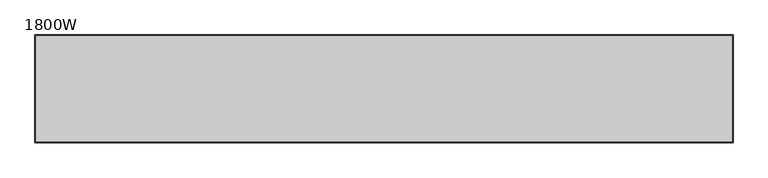
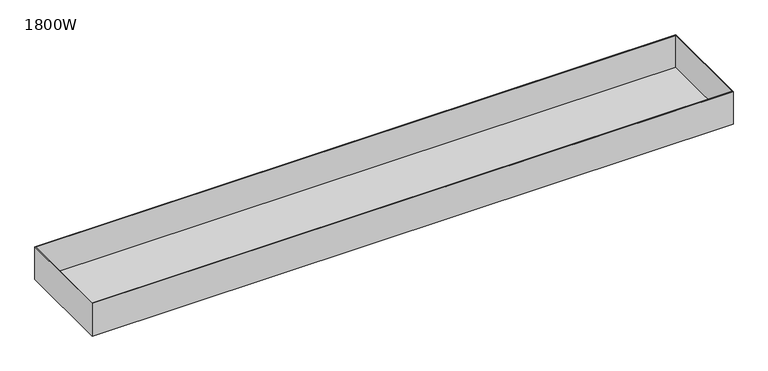
"""IFC4 building model written with IfcOpenShell, lengths in millimetres: furniture geometry, 1800W."""

import ifcopenshell
import ifcopenshell.guid

model = None  # the IFC model being written
_history = None  # IfcOwnerHistory: only IFC2X3 demands one
_inside = {}  # id of a spatial element -> (the spatial element, [elements in it])
_under = {}  # id of a project, library or spatial element -> (it, [spatial elements below it])
_declared = {}  # id of a project -> (the project, [libraries it declares])
_typed = {}  # id of a type object -> (the type object, [elements of that type])
_made_of = {}  # id of a material, layer set ... -> (it, [elements and type objects made of it])


def new_model(schema):
    """Start an empty IFC model of exactly this schema.

    Asked for "IFC4X3", IfcOpenShell would pick the latest addendum, in which some entities
    have other attributes; the version numbers below select the first issue.
    IFC2X3 requires an IfcOwnerHistory on every rooted entity: one is made here for all.
    """
    global model, _history
    if schema == "IFC4X3":
        model = ifcopenshell.file(schema_version=(4, 3, 0, 0))
    else:
        model = ifcopenshell.file(schema=schema)
    _inside.clear()
    _under.clear()
    _declared.clear()
    _typed.clear()
    _made_of.clear()
    _history = None
    if model.schema == "IFC2X3":
        org = make("IfcOrganization", Name="unknown")
        user = make(
            "IfcPersonAndOrganization",
            ThePerson=make("IfcPerson", FamilyName="unknown"),
            TheOrganization=org,
        )
        app = make(
            "IfcApplication",
            ApplicationDeveloper=org,
            Version="unknown",
            ApplicationFullName="unknown",
            ApplicationIdentifier="unknown",
        )
        _history = make(
            "IfcOwnerHistory",
            OwningUser=user,
            OwningApplication=app,
            ChangeAction="ADDED",
            CreationDate=0,
        )
    return model


def make(cls, **values):
    """One entity of the class cls with the attributes given. An attribute that is None is left unset."""
    return model.create_entity(
        cls, **{name: value for name, value in values.items() if value is not None}
    )


def rooted(cls, **values):
    """An entity with a GlobalId (a new one), such as an element, a storey or a relation."""
    return make(cls, GlobalId=ifcopenshell.guid.new(), OwnerHistory=_history, **values)


def si_unit(unit_type, name, prefix=None):
    """IfcSIUnit, for example si_unit("LENGTHUNIT", "METRE", prefix="MILLI")."""
    return make("IfcSIUnit", UnitType=unit_type, Prefix=prefix, Name=name)


def assignment(units):
    """IfcUnitAssignment: the units of a project."""
    return None if units is None else make("IfcUnitAssignment", Units=units)


def point(xyz):
    """IfcCartesianPoint."""
    return None if xyz is None else make("IfcCartesianPoint", Coordinates=xyz)


def direction(xyz):
    """IfcDirection."""
    return None if xyz is None else make("IfcDirection", DirectionRatios=xyz)


def frame(location, z_axis=None, x_axis=None):
    """IfcAxis2Placement3D, a coordinate frame: its origin and axes. An axis left out is left unset."""
    return make(
        "IfcAxis2Placement3D",
        Location=point(location),
        Axis=direction(z_axis),
        RefDirection=direction(x_axis),
    )


def origin():
    """The frame at (0, 0, 0) with its axes left unset."""
    return frame((0.0, 0.0, 0.0))


def place(relative_to, where):
    """IfcLocalPlacement: puts the frame where relative to a parent placement (None: the world)."""
    return make(
        "IfcLocalPlacement", PlacementRelTo=relative_to, RelativePlacement=where
    )


def context(
    kind, dimensions, precision=None, world=None, true_north=None, identifier=None
):
    """IfcGeometricRepresentationContext, for example the 3D "Model" context."""
    return make(
        "IfcGeometricRepresentationContext",
        ContextIdentifier=identifier,
        ContextType=kind,
        CoordinateSpaceDimension=dimensions,
        Precision=precision,
        WorldCoordinateSystem=world,
        TrueNorth=true_north,
    )


def project(units=None, contexts=None):
    """IfcProject with its units and contexts."""
    return rooted(
        "IfcProject",
        Name="project",
        RepresentationContexts=contexts,
        UnitsInContext=assignment(units),
    )


def spatial(cls, under=None, at=None, **own):
    """A site, building, storey or space (cls), placed at a placement, below another one or the project."""
    s = rooted(cls, ObjectPlacement=at, **own)
    if under is not None:
        _under.setdefault(under.id(), (under, []))[1].append(s)
    return s


def faces_of(points, faces, orient=None, outer=None):
    """IfcFace entities. A face is a list of loops; a loop is a list of indices into points, from 0.

    orient and outer hold one flag for each loop. By default every Orientation is true, the
    first loop of a face is its IfcFaceOuterBound and the others are IfcFaceBound.
    """
    made = []
    for i, loops in enumerate(faces):
        bounds = []
        for j, loop in enumerate(loops):
            is_outer = j == 0 if outer is None else outer[i][j]
            bounds.append(
                make(
                    "IfcFaceOuterBound" if is_outer else "IfcFaceBound",
                    Bound=make("IfcPolyLoop", Polygon=[points[k] for k in loop]),
                    Orientation=True if orient is None else orient[i][j],
                )
            )
        made.append(make("IfcFace", Bounds=bounds))
    return made


def faceted_brep(points, faces, orient=None, outer=None, voids=None):
    """IfcFacetedBrep: a solid bounded by flat faces; with voids (closed shells), ...WithVoids."""
    shared = [point(p) for p in points]
    hull = make("IfcClosedShell", CfsFaces=faces_of(shared, faces, orient, outer))
    if voids is None:
        return make("IfcFacetedBrep", Outer=hull)
    return make(
        "IfcFacetedBrepWithVoids",
        Outer=hull,
        Voids=[
            make(cls, CfsFaces=faces_of(shared, fs, o, b)) for cls, fs, o, b in voids
        ],
    )


def shape(context_of_items, identifier, shape_type, items):
    """IfcShapeRepresentation: the items that make up one representation, for example the "Body"."""
    return make(
        "IfcShapeRepresentation",
        ContextOfItems=context_of_items,
        RepresentationIdentifier=identifier,
        RepresentationType=shape_type,
        Items=items,
    )


def source(mapping_origin, context_of_items, identifier, shape_type, items):
    """IfcRepresentationMap: a shape defined once, which mapped items show again and again."""
    return make(
        "IfcRepresentationMap",
        MappingOrigin=mapping_origin,
        MappedRepresentation=shape(context_of_items, identifier, shape_type, items),
    )


def transform(
    local_origin,
    x_axis=None,
    y_axis=None,
    z_axis=None,
    scale=None,
    scale2=None,
    scale3=None,
    uniform=True,
):
    """IfcCartesianTransformationOperator3D, or its non-uniform kind. x_axis, y_axis, z_axis: its Axis1, 2, 3."""
    if uniform:
        return make(
            "IfcCartesianTransformationOperator3D",
            Axis1=direction(x_axis),
            Axis2=direction(y_axis),
            LocalOrigin=point(local_origin),
            Scale=scale,
            Axis3=direction(z_axis),
        )
    return make(
        "IfcCartesianTransformationOperator3DnonUniform",
        Axis1=direction(x_axis),
        Axis2=direction(y_axis),
        LocalOrigin=point(local_origin),
        Scale=scale,
        Axis3=direction(z_axis),
        Scale2=scale2,
        Scale3=scale3,
    )


def mapped(mapping_source, mapping_target):
    """IfcMappedItem: shows the shape of a source again, moved by a transform."""
    return make(
        "IfcMappedItem", MappingSource=mapping_source, MappingTarget=mapping_target
    )


def made_of(thing, what):
    """Note that an element or type object is made of a material, layer set ...; save() writes the relation."""
    if what is not None:
        _made_of.setdefault(what.id(), (what, []))[1].append(thing)
    return thing


def element(
    cls,
    number,
    at=None,
    inside=None,
    cuts=None,
    type_object=None,
    material=None,
    context=None,
    identifier="Body",
    shape_type=None,
    held_by="IfcProductDefinitionShape",
    body=None,
    shapes=None,
    **own,
):
    """One element of the class cls, such as IfcWall. Its Tag is "e" and its number.

    at: its placement. inside: the storey or other place that contains it. cuts: it is an
    opening in that element (IfcRelVoidsElement). A single representation is given by context,
    identifier, shape_type and body (its items); several are given by shapes. held_by: the class
    of the entity that holds the representations. save() writes the other relations.
    """
    e = rooted(cls, Tag="e%d" % number, ObjectPlacement=at, **own)
    if body is not None:
        shapes = [shape(context, identifier, shape_type, body)]
    if shapes is not None:
        e.Representation = make(held_by, Representations=shapes)
    if inside is not None:
        _inside.setdefault(inside.id(), (inside, []))[1].append(e)
    if cuts is not None:
        rooted(
            "IfcRelVoidsElement", RelatingBuildingElement=cuts, RelatedOpeningElement=e
        )
    if type_object is not None:
        _typed.setdefault(type_object.id(), (type_object, []))[1].append(e)
    return made_of(e, material)


def aggregate(whole, parts):
    """IfcRelAggregates: a whole, such as a stair, and the parts it consists of."""
    return rooted("IfcRelAggregates", RelatingObject=whole, RelatedObjects=parts)


def save(model, path):
    """Write the relations noted so far, then the file.

    IfcRelAggregates (storeys below a building ...), IfcRelContainedInSpatialStructure (elements
    in a storey), IfcRelDefinesByType, IfcRelAssociatesMaterial and IfcRelDeclares: one each for
    every whole, place, type object, material and project.
    """
    for whole, parts in _under.values():
        aggregate(whole, parts)
    for where, things in _inside.values():
        rooted(
            "IfcRelContainedInSpatialStructure",
            RelatedElements=things,
            RelatingStructure=where,
        )
    for kind, things in _typed.values():
        rooted("IfcRelDefinesByType", RelatedObjects=things, RelatingType=kind)
    for what, things in _made_of.values():
        rooted("IfcRelAssociatesMaterial", RelatedObjects=things, RelatingMaterial=what)
    for by, libraries in _declared.values():
        rooted("IfcRelDeclares", RelatingContext=by, RelatedDefinitions=libraries)
    model.write(path)


def furniture_1800w_478a23ec(model_context):
    return source(origin(), model_context, "Body", "Brep", [
        faceted_brep([(-810.0, -125.0, 435.0), (-810.0, -125.0, 522.0), (-810.0, 125.0, 522.0), (-810.0, 125.0, 435.0), (810.0, -125.0, 435.0), (810.0, 125.0, 435.0), (810.0, 125.0, 522.0), (810.0, -125.0, 522.0), (-808.0, 123.0, 522.0), (808.0, 123.0, 522.0), (808.0, -123.0, 522.0), (-808.0, -123.0, 522.0), (808.0, 123.0, 437.0), (-808.0, 123.0, 437.0), (-808.0, -123.0, 437.0), (808.0, -123.0, 437.0)], [[[0, 1, 2, 3]], [[4, 5, 6, 7]], [[1, 0, 4, 7]], [[2, 1, 7, 6], [8, 9, 10, 11]], [[3, 2, 6, 5]], [[0, 3, 5, 4]], [[12, 13, 14, 15]], [[13, 12, 9, 8]], [[14, 13, 8, 11]], [[15, 14, 11, 10]], [[12, 15, 10, 9]]]),
    ])


if __name__ == "__main__":
    model = new_model("IFC4")
    model_context = context("Model", 3, world=origin())
    ifc_project = project(units=[si_unit("LENGTHUNIT", "METRE", prefix="MILLI")], contexts=[model_context])
    site = spatial("IfcSite", under=ifc_project)
    building = spatial("IfcBuilding", under=site)
    placement = place(None, origin())
    furniture_1800w_shape = furniture_1800w_478a23ec(model_context)
    element("IfcFurniture", 1, ObjectType="1800W", at=placement, inside=building, context=model_context, shape_type="MappedRepresentation", body=[
        mapped(furniture_1800w_shape, transform((0.0, 0.0, 0.0), x_axis=(1.0, 0.0, 0.0), y_axis=(0.0, 1.0, 0.0), z_axis=(0.0, 0.0, 1.0))),
    ])
    save(model, "model.ifc")
